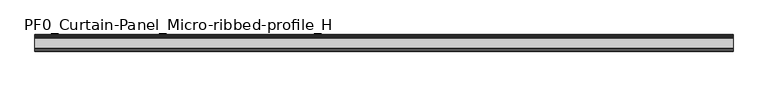
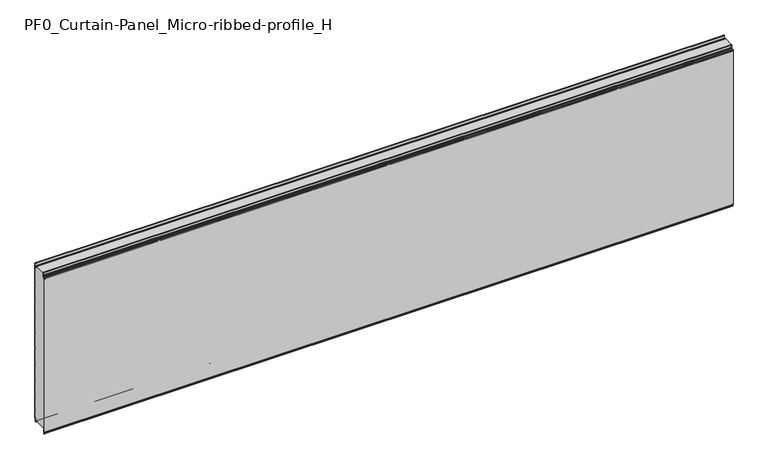
"""IFC4 building model written with IfcOpenShell, lengths in millimetres: plate geometry, PF0_Curtain-Panel_Micro-ribbed-profile_H."""

import ifcopenshell
import ifcopenshell.guid

model = None  # the IFC model being written
_history = None  # IfcOwnerHistory: only IFC2X3 demands one
_inside = {}  # id of a spatial element -> (the spatial element, [elements in it])
_under = {}  # id of a project, library or spatial element -> (it, [spatial elements below it])
_declared = {}  # id of a project -> (the project, [libraries it declares])
_typed = {}  # id of a type object -> (the type object, [elements of that type])
_made_of = {}  # id of a material, layer set ... -> (it, [elements and type objects made of it])


def new_model(schema):
    """Start an empty IFC model of exactly this schema.

    Asked for "IFC4X3", IfcOpenShell would pick the latest addendum, in which some entities
    have other attributes; the version numbers below select the first issue.
    IFC2X3 requires an IfcOwnerHistory on every rooted entity: one is made here for all.
    """
    global model, _history
    if schema == "IFC4X3":
        model = ifcopenshell.file(schema_version=(4, 3, 0, 0))
    else:
        model = ifcopenshell.file(schema=schema)
    _inside.clear()
    _under.clear()
    _declared.clear()
    _typed.clear()
    _made_of.clear()
    _history = None
    if model.schema == "IFC2X3":
        org = make("IfcOrganization", Name="unknown")
        user = make(
            "IfcPersonAndOrganization",
            ThePerson=make("IfcPerson", FamilyName="unknown"),
            TheOrganization=org,
        )
        app = make(
            "IfcApplication",
            ApplicationDeveloper=org,
            Version="unknown",
            ApplicationFullName="unknown",
            ApplicationIdentifier="unknown",
        )
        _history = make(
            "IfcOwnerHistory",
            OwningUser=user,
            OwningApplication=app,
            ChangeAction="ADDED",
            CreationDate=0,
        )
    return model


def make(cls, **values):
    """One entity of the class cls with the attributes given. An attribute that is None is left unset."""
    return model.create_entity(
        cls, **{name: value for name, value in values.items() if value is not None}
    )


def rooted(cls, **values):
    """An entity with a GlobalId (a new one), such as an element, a storey or a relation."""
    return make(cls, GlobalId=ifcopenshell.guid.new(), OwnerHistory=_history, **values)


def si_unit(unit_type, name, prefix=None):
    """IfcSIUnit, for example si_unit("LENGTHUNIT", "METRE", prefix="MILLI")."""
    return make("IfcSIUnit", UnitType=unit_type, Prefix=prefix, Name=name)


def assignment(units):
    """IfcUnitAssignment: the units of a project."""
    return None if units is None else make("IfcUnitAssignment", Units=units)


def point(xyz):
    """IfcCartesianPoint."""
    return None if xyz is None else make("IfcCartesianPoint", Coordinates=xyz)


def direction(xyz):
    """IfcDirection."""
    return None if xyz is None else make("IfcDirection", DirectionRatios=xyz)


def frame(location, z_axis=None, x_axis=None):
    """IfcAxis2Placement3D, a coordinate frame: its origin and axes. An axis left out is left unset."""
    return make(
        "IfcAxis2Placement3D",
        Location=point(location),
        Axis=direction(z_axis),
        RefDirection=direction(x_axis),
    )


def frame_2d(location, x_axis=None):
    """IfcAxis2Placement2D, a coordinate frame in the plane: its origin and x axis."""
    return make(
        "IfcAxis2Placement2D", Location=point(location), RefDirection=direction(x_axis)
    )


def origin():
    """The frame at (0, 0, 0) with its axes left unset."""
    return frame((0.0, 0.0, 0.0))


def place(relative_to, where):
    """IfcLocalPlacement: puts the frame where relative to a parent placement (None: the world)."""
    return make(
        "IfcLocalPlacement", PlacementRelTo=relative_to, RelativePlacement=where
    )


def context(
    kind, dimensions, precision=None, world=None, true_north=None, identifier=None
):
    """IfcGeometricRepresentationContext, for example the 3D "Model" context."""
    return make(
        "IfcGeometricRepresentationContext",
        ContextIdentifier=identifier,
        ContextType=kind,
        CoordinateSpaceDimension=dimensions,
        Precision=precision,
        WorldCoordinateSystem=world,
        TrueNorth=true_north,
    )


def project(units=None, contexts=None):
    """IfcProject with its units and contexts."""
    return rooted(
        "IfcProject",
        Name="project",
        RepresentationContexts=contexts,
        UnitsInContext=assignment(units),
    )


def spatial(cls, under=None, at=None, **own):
    """A site, building, storey or space (cls), placed at a placement, below another one or the project."""
    s = rooted(cls, ObjectPlacement=at, **own)
    if under is not None:
        _under.setdefault(under.id(), (under, []))[1].append(s)
    return s


def polyline(points):
    """IfcPolyline through the points."""
    return make("IfcPolyline", Points=[point(p) for p in points])


def circle_curve(where, radius):
    """IfcCircle in the frame where."""
    return make("IfcCircle", Position=where, Radius=radius)


def trimmed(basis, trim1, trim2, sense, master):
    """IfcTrimmedCurve: the piece of a basis curve between two trims."""
    return make(
        "IfcTrimmedCurve",
        BasisCurve=basis,
        Trim1=trim1,
        Trim2=trim2,
        SenseAgreement=sense,
        MasterRepresentation=master,
    )


def segment(curve, same_sense, transition):
    """IfcCompositeCurveSegment."""
    return make(
        "IfcCompositeCurveSegment",
        Transition=transition,
        SameSense=same_sense,
        ParentCurve=curve,
    )


def composite_curve(segments, self_intersect=None):
    """IfcCompositeCurve: segments joined end to end."""
    return make("IfcCompositeCurve", Segments=segments, SelfIntersect=self_intersect)


def outline(outer, holes=None, kind="AREA"):
    """IfcArbitraryClosedProfileDef: a profile drawn as a closed curve; with holes, ...WithVoids."""
    if holes is None:
        return make("IfcArbitraryClosedProfileDef", ProfileType=kind, OuterCurve=outer)
    return make(
        "IfcArbitraryProfileDefWithVoids",
        ProfileType=kind,
        OuterCurve=outer,
        InnerCurves=holes,
    )


def extrude(swept, where, along, depth):
    """IfcExtrudedAreaSolid: the profile swept, set in the frame where, extruded along a direction by depth."""
    return make(
        "IfcExtrudedAreaSolid",
        SweptArea=swept,
        Position=where,
        ExtrudedDirection=direction(along),
        Depth=depth,
    )


def shape(context_of_items, identifier, shape_type, items):
    """IfcShapeRepresentation: the items that make up one representation, for example the "Body"."""
    return make(
        "IfcShapeRepresentation",
        ContextOfItems=context_of_items,
        RepresentationIdentifier=identifier,
        RepresentationType=shape_type,
        Items=items,
    )


def source(mapping_origin, context_of_items, identifier, shape_type, items):
    """IfcRepresentationMap: a shape defined once, which mapped items show again and again."""
    return make(
        "IfcRepresentationMap",
        MappingOrigin=mapping_origin,
        MappedRepresentation=shape(context_of_items, identifier, shape_type, items),
    )


def transform(
    local_origin,
    x_axis=None,
    y_axis=None,
    z_axis=None,
    scale=None,
    scale2=None,
    scale3=None,
    uniform=True,
):
    """IfcCartesianTransformationOperator3D, or its non-uniform kind. x_axis, y_axis, z_axis: its Axis1, 2, 3."""
    if uniform:
        return make(
            "IfcCartesianTransformationOperator3D",
            Axis1=direction(x_axis),
            Axis2=direction(y_axis),
            LocalOrigin=point(local_origin),
            Scale=scale,
            Axis3=direction(z_axis),
        )
    return make(
        "IfcCartesianTransformationOperator3DnonUniform",
        Axis1=direction(x_axis),
        Axis2=direction(y_axis),
        LocalOrigin=point(local_origin),
        Scale=scale,
        Axis3=direction(z_axis),
        Scale2=scale2,
        Scale3=scale3,
    )


def mapped(mapping_source, mapping_target):
    """IfcMappedItem: shows the shape of a source again, moved by a transform."""
    return make(
        "IfcMappedItem", MappingSource=mapping_source, MappingTarget=mapping_target
    )


def made_of(thing, what):
    """Note that an element or type object is made of a material, layer set ...; save() writes the relation."""
    if what is not None:
        _made_of.setdefault(what.id(), (what, []))[1].append(thing)
    return thing


def element(
    cls,
    number,
    at=None,
    inside=None,
    cuts=None,
    type_object=None,
    material=None,
    context=None,
    identifier="Body",
    shape_type=None,
    held_by="IfcProductDefinitionShape",
    body=None,
    shapes=None,
    **own,
):
    """One element of the class cls, such as IfcWall. Its Tag is "e" and its number.

    at: its placement. inside: the storey or other place that contains it. cuts: it is an
    opening in that element (IfcRelVoidsElement). A single representation is given by context,
    identifier, shape_type and body (its items); several are given by shapes. held_by: the class
    of the entity that holds the representations. save() writes the other relations.
    """
    e = rooted(cls, Tag="e%d" % number, ObjectPlacement=at, **own)
    if body is not None:
        shapes = [shape(context, identifier, shape_type, body)]
    if shapes is not None:
        e.Representation = make(held_by, Representations=shapes)
    if inside is not None:
        _inside.setdefault(inside.id(), (inside, []))[1].append(e)
    if cuts is not None:
        rooted(
            "IfcRelVoidsElement", RelatingBuildingElement=cuts, RelatedOpeningElement=e
        )
    if type_object is not None:
        _typed.setdefault(type_object.id(), (type_object, []))[1].append(e)
    return made_of(e, material)


def aggregate(whole, parts):
    """IfcRelAggregates: a whole, such as a stair, and the parts it consists of."""
    return rooted("IfcRelAggregates", RelatingObject=whole, RelatedObjects=parts)


def save(model, path):
    """Write the relations noted so far, then the file.

    IfcRelAggregates (storeys below a building ...), IfcRelContainedInSpatialStructure (elements
    in a storey), IfcRelDefinesByType, IfcRelAssociatesMaterial and IfcRelDeclares: one each for
    every whole, place, type object, material and project.
    """
    for whole, parts in _under.values():
        aggregate(whole, parts)
    for where, things in _inside.values():
        rooted(
            "IfcRelContainedInSpatialStructure",
            RelatedElements=things,
            RelatingStructure=where,
        )
    for kind, things in _typed.values():
        rooted("IfcRelDefinesByType", RelatedObjects=things, RelatingType=kind)
    for what, things in _made_of.values():
        rooted("IfcRelAssociatesMaterial", RelatedObjects=things, RelatingMaterial=what)
    for by, libraries in _declared.values():
        rooted("IfcRelDeclares", RelatingContext=by, RelatedDefinitions=libraries)
    model.write(path)


def plane_surface(at):
    """IfcPlane: the flat surface through the origin of the frame at, square to its z axis."""
    return make("IfcPlane", Position=at)


def cylinder_surface(at, radius):
    """IfcCylindricalSurface: all points at the distance radius from the z axis of the frame at."""
    return make("IfcCylindricalSurface", Position=at, Radius=radius)


def revolved_surface(curve, axis_point, axis_direction):
    """IfcSurfaceOfRevolution: the curve turned about the line through axis_point along axis_direction."""
    return make(
        "IfcSurfaceOfRevolution",
        SweptCurve=make("IfcArbitraryOpenProfileDef", ProfileType="CURVE", Curve=curve),
        AxisPosition=make("IfcAxis1Placement", Location=point(axis_point), Axis=direction(axis_direction)),
    )


def advanced_brep(points, edges, surfaces, faces):
    """IfcAdvancedBrep: a solid bounded by faces that lie on surfaces and meet in shared edges.

    An edge is (start, end): straight between two places in points (the first is 0);
    or (start, end, curve); or (start, end, curve, False) where it runs against its curve.
    A face is (place in surfaces, loops), or (place, loops, False) where it looks against
    its surface's normal. A loop lists edges by number (the first is 1), with a minus sign
    where the edge is run from its end to its start. The first loop is the outer one.
    """
    corners = [point(p) for p in points]
    vertices = [make("IfcVertexPoint", VertexGeometry=c) for c in corners]
    made = []
    for start, end, *more in edges:
        made.append(
            make(
                "IfcEdgeCurve",
                EdgeStart=vertices[start],
                EdgeEnd=vertices[end],
                EdgeGeometry=more[0] if more else make("IfcPolyline", Points=[corners[start], corners[end]]),
                SameSense=more[1] if len(more) > 1 else True,
            )
        )
    hull = []
    for where, loops, *sense in faces:
        bounds = []
        for j, loop in enumerate(loops):
            ring = [make("IfcOrientedEdge", EdgeElement=made[abs(k) - 1], Orientation=k > 0) for k in loop]
            bounds.append(
                make(
                    "IfcFaceOuterBound" if j == 0 else "IfcFaceBound",
                    Bound=make("IfcEdgeLoop", EdgeList=ring),
                    Orientation=True,
                )
            )
        hull.append(make("IfcAdvancedFace", Bounds=bounds, FaceSurface=surfaces[where], SameSense=sense[0] if sense else True))
    return make("IfcAdvancedBrep", Outer=make("IfcClosedShell", CfsFaces=hull))


def pf0_curtain_panel_micro_ribbed_profile_h_563bb132(model_context):
    return source(origin(), model_context, "Body", "SolidModel", [
        advanced_brep(
        [(-2100.0, -15.878557, 0.0), (-2100.0, -20.0, 0.0), (-2100.0, -20.0, 0.8), (-2100.0, -15.878557, 0.8), (-2100.0, -13.1503208, -1.370137), (-2100.0, -11.728236, -7.529863), (-2100.0, -6.2, -6.9), (-2100.0, -6.2, 8.6), (-2100.0, -3.4, 11.4), (-2100.0, -2.0, 11.4), (-2100.0, -0.8, 12.6), (-2100.0, -0.8, 57.6856412), (-2100.0, -2.482606, 60.6), (-2100.0, -0.8, 63.5143588), (-2100.0, -0.8, 157.6856412), (-2100.0, -2.482606, 160.6), (-2100.0, -0.8, 163.5143588), (-2100.0, -0.8, 257.6856412), (-2100.0, -2.482606, 260.6), (-2100.0, -0.8, 263.5143588), (-2100.0, -0.8, 357.6856412), (-2100.0, -2.482606, 360.6), (-2100.0, -0.8, 363.5143588), (-2100.0, -0.8, 457.6856412), (-2100.0, -2.482606, 460.6), (-2100.0, -0.8, 463.5143588), (-2100.0, -0.8, 557.6856412), (-2100.0, -2.482606, 560.6), (-2100.0, -0.8, 563.5143588), (-2100.0, -0.8, 657.6856412), (-2100.0, -2.482606, 660.6), (-2100.0, -0.8, 663.5143588), (-2100.0, -0.8, 757.6856412), (-2100.0, -2.482606, 760.6), (-2100.0, -0.8, 763.5143588), (-2100.0, -0.8, 857.6856412), (-2100.0, -2.482606, 860.6), (-2100.0, -0.8, 863.5143588), (-2100.0, -0.8, 957.6856412), (-2100.0, -2.482606, 960.6), (-2100.0, -0.8, 963.5143588), (-2100.0, -0.8, 1008.1), (-2100.0, -4.2, 1008.1), (-2100.0, -4.2, 991.1), (-2100.0, -13.7270771, 990.2664884), (-2100.0, -14.8636953, 996.7125669), (-2100.0, -16.6363492, 998.2), (-2100.0, -20.0, 998.2), (-2100.0, -20.0, 999.0), (-2100.0, -16.6363492, 999.0), (-2100.0, -14.0758491, 996.8514855), (-2100.0, -12.939231, 990.405407), (-2100.0, -5.0, 991.1), (-2100.0, -5.0, 1008.1), (-2100.0, -2.5, 1010.6), (-2100.0, 0.0, 1008.1), (-2100.0, 0.0, 963.2999995), (-2100.0, -1.5588455, 960.6), (-2100.0, 0.0, 957.9000005), (-2100.0, 0.0, 863.2999995), (-2100.0, -1.5588455, 860.6), (-2100.0, 0.0, 857.9000005), (-2100.0, 0.0, 763.2999995), (-2100.0, -1.5588455, 760.6), (-2100.0, 0.0, 757.9000005), (-2100.0, 0.0, 663.2999995), (-2100.0, -1.5588455, 660.6), (-2100.0, 0.0, 657.9000005), (-2100.0, 0.0, 563.2999995), (-2100.0, -1.5588455, 560.6), (-2100.0, 0.0, 557.9000005), (-2100.0, 0.0, 463.2999995), (-2100.0, -1.5588455, 460.6), (-2100.0, 0.0, 457.9000005), (-2100.0, 0.0, 363.2999995), (-2100.0, -1.5588455, 360.6), (-2100.0, 0.0, 357.9000005), (-2100.0, 0.0, 263.2999995), (-2100.0, -1.5588455, 260.6), (-2100.0, 0.0, 257.9000005), (-2100.0, 0.0, 163.2999995), (-2100.0, -1.5588455, 160.6), (-2100.0, 0.0, 157.9000005), (-2100.0, 0.0, 63.2999995), (-2100.0, -1.5588455, 60.6), (-2100.0, 0.0, 57.9000005), (-2100.0, 0.0, 12.6), (-2100.0, -2.0, 10.6), (-2100.0, -3.4, 10.6), (-2100.0, -5.4, 8.6), (-2100.0, -5.4, -6.9), (-2100.0, -12.5077322, -7.7098239), (-2100.0, -13.929817, -1.5500979), (2100.0, -15.878557, 0.0), (2100.0, -13.9298169, -1.5500978), (2100.0, -12.507732, -7.7098239), (2100.0, -5.4, -6.9), (2100.0, -5.4, 8.6), (2100.0, -3.4, 10.6), (2100.0, -2.0, 10.6), (2100.0, 0.0, 12.6), (2100.0, 0.0, 57.9000005), (2100.0, -1.5588455, 60.6), (2100.0, 0.0, 63.2999995), (2100.0, 0.0, 157.9000005), (2100.0, -1.5588455, 160.6), (2100.0, 0.0, 163.2999995), (2100.0, 0.0, 257.9000005), (2100.0, -1.5588455, 260.6), (2100.0, 0.0, 263.2999995), (2100.0, 0.0, 357.9000005), (2100.0, -1.5588455, 360.6), (2100.0, 0.0, 363.2999995), (2100.0, 0.0, 457.9000005), (2100.0, -1.5588455, 460.6), (2100.0, 0.0, 463.2999995), (2100.0, 0.0, 557.9000005), (2100.0, -1.5588455, 560.6), (2100.0, 0.0, 563.2999995), (2100.0, 0.0, 657.9000005), (2100.0, -1.5588455, 660.6), (2100.0, 0.0, 663.2999995), (2100.0, 0.0, 757.9000005), (2100.0, -1.5588455, 760.6), (2100.0, 0.0, 763.2999995), (2100.0, 0.0, 857.9000005), (2100.0, -1.5588455, 860.6), (2100.0, 0.0, 863.2999995), (2100.0, 0.0, 957.9000005), (2100.0, -1.5588455, 960.6), (2100.0, 0.0, 963.2999995), (2100.0, 0.0, 1008.1), (2100.0, -2.5, 1010.6), (2100.0, -5.0, 1008.1), (2100.0, -5.0, 991.1), (2100.0, -12.939231, 990.405407), (2100.0, -14.0758491, 996.8514855), (2100.0, -16.6363492, 999.0), (2100.0, -20.0, 999.0), (2100.0, -20.0, 998.2), (2100.0, -16.6363492, 998.2), (2100.0, -14.8636953, 996.7125669), (2100.0, -13.7270772, 990.2664884), (2100.0, -4.2, 991.1), (2100.0, -4.2, 1008.1), (2100.0, -0.8, 1008.1), (2100.0, -0.8, 963.5143588), (2100.0, -2.482606, 960.6), (2100.0, -0.8, 957.6856412), (2100.0, -0.8, 863.5143588), (2100.0, -2.482606, 860.6), (2100.0, -0.8, 857.6856412), (2100.0, -0.8, 763.5143588), (2100.0, -2.482606, 760.6), (2100.0, -0.8, 757.6856412), (2100.0, -0.8, 663.5143588), (2100.0, -2.482606, 660.6), (2100.0, -0.8, 657.6856412), (2100.0, -0.8, 563.5143588), (2100.0, -2.482606, 560.6), (2100.0, -0.8, 557.6856412), (2100.0, -0.8, 463.5143588), (2100.0, -2.482606, 460.6), (2100.0, -0.8, 457.6856412), (2100.0, -0.8, 363.5143588), (2100.0, -2.482606, 360.6), (2100.0, -0.8, 357.6856412), (2100.0, -0.8, 263.5143588), (2100.0, -2.482606, 260.6), (2100.0, -0.8, 257.6856412), (2100.0, -0.8, 163.5143588), (2100.0, -2.482606, 160.6), (2100.0, -0.8, 157.6856412), (2100.0, -0.8, 63.5143588), (2100.0, -2.482606, 60.6), (2100.0, -0.8, 57.6856412), (2100.0, -0.8, 12.6), (2100.0, -2.0, 11.4), (2100.0, -3.4, 11.4), (2100.0, -6.2, 8.6), (2100.0, -6.2, -6.9), (2100.0, -11.7282362, -7.529863), (2100.0, -13.150321, -1.370137), (2100.0, -15.878557, 0.8), (2100.0, -20.0, 0.8), (2100.0, -20.0, 0.0)],
        [
            (0, 1),
            (1, 2),
            (2, 3),
            (3, 4, circle_curve(frame((-2100.0, -15.878557, -2.0), z_axis=(-1.0, 0.0, 0.0), x_axis=(0.0, 0.0, 1.0)), 2.8)),
            (4, 5),
            (5, 6, circle_curve(frame((-2100.0, -9.0, -6.9), z_axis=(1.0, 0.0, 0.0), x_axis=(0.0, 0.0, 1.0)), 2.8)),
            (6, 7),
            (7, 8, circle_curve(frame((-2100.0, -3.4, 8.6), z_axis=(-1.0, 0.0, 0.0), x_axis=(0.0, 0.0, 1.0)), 2.8)),
            (8, 9),
            (9, 10, circle_curve(frame((-2100.0, -2.0, 12.6), z_axis=(1.0, 0.0, 0.0), x_axis=(0.0, 0.0, 1.0)), 1.2)),
            (10, 11),
            (11, 12),
            (12, 13),
            (13, 14),
            (14, 15),
            (15, 16),
            (16, 17),
            (17, 18),
            (18, 19),
            (19, 20),
            (20, 21),
            (21, 22),
            (22, 23),
            (23, 24),
            (24, 25),
            (25, 26),
            (26, 27),
            (27, 28),
            (28, 29),
            (29, 30),
            (30, 31),
            (31, 32),
            (32, 33),
            (33, 34),
            (34, 35),
            (35, 36),
            (36, 37),
            (37, 38),
            (38, 39),
            (39, 40),
            (40, 41),
            (41, 42, circle_curve(frame((-2100.0, -2.5, 1008.1), z_axis=(1.0, 0.0, 0.0), x_axis=(0.0, 0.0, 1.0)), 1.7)),
            (42, 43),
            (43, 44, circle_curve(frame((-2100.0, -9.0, 991.1), z_axis=(-1.0, 0.0, 0.0), x_axis=(0.0, 0.0, 1.0)), 4.8)),
            (44, 45),
            (45, 46, circle_curve(frame((-2100.0, -16.6363492, 996.4), z_axis=(1.0, 0.0, 0.0), x_axis=(0.0, 0.0, 1.0)), 1.8)),
            (46, 47),
            (47, 48),
            (48, 49),
            (49, 50, circle_curve(frame((-2100.0, -16.6363492, 996.4), z_axis=(-1.0, 0.0, 0.0), x_axis=(0.0, 0.0, 1.0)), 2.6)),
            (50, 51),
            (51, 52, circle_curve(frame((-2100.0, -9.0, 991.1), z_axis=(1.0, 0.0, 0.0), x_axis=(0.0, 0.0, 1.0)), 4.0)),
            (52, 53),
            (53, 54, circle_curve(frame((-2100.0, -2.5, 1008.1), z_axis=(-1.0, 0.0, 0.0), x_axis=(0.0, 0.0, 1.0)), 2.5)),
            (54, 55, circle_curve(frame((-2100.0, -2.5, 1008.1), z_axis=(-1.0, 0.0, 0.0), x_axis=(0.0, 0.0, 1.0)), 2.5)),
            (55, 56),
            (56, 57),
            (57, 58),
            (58, 59),
            (59, 60),
            (60, 61),
            (61, 62),
            (62, 63),
            (63, 64),
            (64, 65),
            (65, 66),
            (66, 67),
            (67, 68),
            (68, 69),
            (69, 70),
            (70, 71),
            (71, 72),
            (72, 73),
            (73, 74),
            (74, 75),
            (75, 76),
            (76, 77),
            (77, 78),
            (78, 79),
            (79, 80),
            (80, 81),
            (81, 82),
            (82, 83),
            (83, 84),
            (84, 85),
            (85, 86),
            (86, 87, circle_curve(frame((-2100.0, -2.0, 12.6), z_axis=(-1.0, 0.0, 0.0), x_axis=(0.0, 0.0, 1.0)), 2.0)),
            (87, 88),
            (88, 89, circle_curve(frame((-2100.0, -3.4, 8.6), z_axis=(1.0, 0.0, 0.0), x_axis=(0.0, 0.0, 1.0)), 2.0)),
            (89, 90),
            (90, 91, circle_curve(frame((-2100.0, -9.0, -6.9), z_axis=(-1.0, 0.0, 0.0), x_axis=(0.0, 0.0, 1.0)), 3.6)),
            (91, 92),
            (92, 0, circle_curve(frame((-2100.0, -15.878557, -2.0), z_axis=(1.0, 0.0, 0.0), x_axis=(0.0, 0.0, 1.0)), 2.0)),
            (93, 94, circle_curve(frame((2100.0, -15.878557, -2.0), z_axis=(-1.0, 0.0, 0.0), x_axis=(0.0, 0.0, 1.0)), 2.0)),
            (94, 95),
            (95, 96, circle_curve(frame((2100.0, -9.0, -6.9), z_axis=(1.0, 0.0, 0.0), x_axis=(0.0, 0.0, 1.0)), 3.6)),
            (96, 97),
            (97, 98, circle_curve(frame((2100.0, -3.4, 8.6), z_axis=(-1.0, 0.0, 0.0), x_axis=(0.0, 0.0, 1.0)), 2.0)),
            (98, 99),
            (99, 100, circle_curve(frame((2100.0, -2.0, 12.6), z_axis=(1.0, 0.0, 0.0), x_axis=(0.0, 0.0, 1.0)), 2.0)),
            (100, 101),
            (101, 102),
            (102, 103),
            (103, 104),
            (104, 105),
            (105, 106),
            (106, 107),
            (107, 108),
            (108, 109),
            (109, 110),
            (110, 111),
            (111, 112),
            (112, 113),
            (113, 114),
            (114, 115),
            (115, 116),
            (116, 117),
            (117, 118),
            (118, 119),
            (119, 120),
            (120, 121),
            (121, 122),
            (122, 123),
            (123, 124),
            (124, 125),
            (125, 126),
            (126, 127),
            (127, 128),
            (128, 129),
            (129, 130),
            (130, 131),
            (131, 132, circle_curve(frame((2100.0, -2.5, 1008.1), z_axis=(1.0, 0.0, 0.0), x_axis=(0.0, 0.0, 1.0)), 2.5)),
            (132, 133, circle_curve(frame((2100.0, -2.5, 1008.1), z_axis=(1.0, 0.0, 0.0), x_axis=(0.0, 0.0, 1.0)), 2.5)),
            (133, 134),
            (134, 135, circle_curve(frame((2100.0, -9.0, 991.1), z_axis=(-1.0, 0.0, 0.0), x_axis=(0.0, 0.0, 1.0)), 4.0)),
            (135, 136),
            (136, 137, circle_curve(frame((2100.0, -16.6363492, 996.4), z_axis=(1.0, 0.0, 0.0), x_axis=(0.0, 0.0, 1.0)), 2.6)),
            (137, 138),
            (138, 139),
            (139, 140),
            (140, 141, circle_curve(frame((2100.0, -16.6363492, 996.4), z_axis=(-1.0, 0.0, 0.0), x_axis=(0.0, 0.0, 1.0)), 1.8)),
            (141, 142),
            (142, 143, circle_curve(frame((2100.0, -9.0, 991.1), z_axis=(1.0, 0.0, 0.0), x_axis=(0.0, 0.0, 1.0)), 4.8)),
            (143, 144),
            (144, 145, circle_curve(frame((2100.0, -2.5, 1008.1), z_axis=(-1.0, 0.0, 0.0), x_axis=(0.0, 0.0, 1.0)), 1.7)),
            (145, 146),
            (146, 147),
            (147, 148),
            (148, 149),
            (149, 150),
            (150, 151),
            (151, 152),
            (152, 153),
            (153, 154),
            (154, 155),
            (155, 156),
            (156, 157),
            (157, 158),
            (158, 159),
            (159, 160),
            (160, 161),
            (161, 162),
            (162, 163),
            (163, 164),
            (164, 165),
            (165, 166),
            (166, 167),
            (167, 168),
            (168, 169),
            (169, 170),
            (170, 171),
            (171, 172),
            (172, 173),
            (173, 174),
            (174, 175),
            (175, 176),
            (176, 177, circle_curve(frame((2100.0, -2.0, 12.6), z_axis=(-1.0, 0.0, 0.0), x_axis=(0.0, 0.0, 1.0)), 1.2)),
            (177, 178),
            (178, 179, circle_curve(frame((2100.0, -3.4, 8.6), z_axis=(1.0, 0.0, 0.0), x_axis=(0.0, 0.0, 1.0)), 2.8)),
            (179, 180),
            (180, 181, circle_curve(frame((2100.0, -9.0, -6.9), z_axis=(-1.0, 0.0, 0.0), x_axis=(0.0, 0.0, 1.0)), 2.8)),
            (181, 182),
            (182, 183, circle_curve(frame((2100.0, -15.878557, -2.0), z_axis=(1.0, 0.0, 0.0), x_axis=(0.0, 0.0, 1.0)), 2.8)),
            (183, 184),
            (184, 185),
            (185, 93),
            (0, 93),
            (185, 1),
            (184, 2),
            (183, 3),
            (182, 4),
            (181, 5),
            (180, 6),
            (179, 7),
            (178, 8),
            (177, 9),
            (176, 10),
            (175, 11),
            (174, 12),
            (173, 13),
            (172, 14),
            (171, 15),
            (170, 16),
            (169, 17),
            (168, 18),
            (167, 19),
            (166, 20),
            (165, 21),
            (164, 22),
            (163, 23),
            (162, 24),
            (161, 25),
            (160, 26),
            (159, 27),
            (158, 28),
            (157, 29),
            (156, 30),
            (155, 31),
            (154, 32),
            (153, 33),
            (152, 34),
            (151, 35),
            (150, 36),
            (149, 37),
            (148, 38),
            (147, 39),
            (146, 40),
            (145, 41),
            (144, 42),
            (143, 43),
            (142, 44),
            (141, 45),
            (140, 46),
            (139, 47),
            (138, 48),
            (137, 49),
            (136, 50),
            (135, 51),
            (134, 52),
            (133, 53),
            (131, 55),
            (130, 56),
            (129, 57),
            (128, 58),
            (127, 59),
            (126, 60),
            (125, 61),
            (124, 62),
            (123, 63),
            (122, 64),
            (121, 65),
            (120, 66),
            (119, 67),
            (118, 68),
            (117, 69),
            (116, 70),
            (115, 71),
            (114, 72),
            (113, 73),
            (112, 74),
            (111, 75),
            (110, 76),
            (109, 77),
            (108, 78),
            (107, 79),
            (106, 80),
            (105, 81),
            (104, 82),
            (103, 83),
            (102, 84),
            (101, 85),
            (100, 86),
            (99, 87),
            (98, 88),
            (97, 89),
            (96, 90),
            (95, 91),
            (94, 92),
        ],
        [
            plane_surface(frame((-2100.0, 0.0, 0.0), z_axis=(-1.0, 0.0, 0.0), x_axis=(0.0, 1.0, 0.0))),
            plane_surface(frame((2100.0, 0.0, 0.0), z_axis=(1.0, 0.0, 0.0), x_axis=(0.0, 1.0, 0.0))),
            plane_surface(frame((-2100.0, -15.878557, 0.0), z_axis=(0.0, 0.0, -1.0), x_axis=(1.0, 0.0, 0.0))),
            plane_surface(frame((-2100.0, -20.0, 0.0), z_axis=(0.0, -1.0, 0.0), x_axis=(1.0, 0.0, 0.0))),
            plane_surface(frame((-2100.0, -20.0, 0.8), z_axis=(0.0, 0.0, 1.0), x_axis=(1.0, 0.0, 0.0))),
            cylinder_surface(frame((-2100.0, -15.878557, -2.0), z_axis=(-1.0, 0.0, 0.0), x_axis=(0.0, 0.0, 1.0)), 2.8),
            plane_surface(frame((-2100.0, -13.150321, -1.370137), z_axis=(0.0, 0.9743700578318181, 0.22495108446242168), x_axis=(1.0, 0.0, 0.0))),
            revolved_surface(polyline([(2100.0, -9.0, -4.1000000000000005), (-2100.0, -9.0, -4.1000000000000005)]), (-2100.0, -9.0, -6.9), (1.0, 0.0, 0.0)),
            plane_surface(frame((-2100.0, -6.2, -6.9), z_axis=(0.0, -1.0, 0.0), x_axis=(1.0, 0.0, 0.0))),
            cylinder_surface(frame((-2100.0, -3.4, 8.6), z_axis=(-1.0, 0.0, 0.0), x_axis=(0.0, 0.0, 1.0)), 2.8),
            plane_surface(frame((-2100.0, -3.4, 11.4), z_axis=(0.0, 0.0, 1.0), x_axis=(1.0, 0.0, 0.0))),
            revolved_surface(polyline([(2100.0, -2.0, 13.799999999999999), (-2100.0, -2.0, 13.799999999999999)]), (-2100.0, -2.0, 12.6), (1.0, 0.0, 0.0)),
            plane_surface(frame((-2100.0, -0.8, 12.6), z_axis=(0.0, -1.0, 0.0), x_axis=(1.0, 0.0, 0.0))),
            plane_surface(frame((-2100.0, -0.8, 57.6856412), z_axis=(0.0, -0.8660253865035757, -0.5000000299313314), x_axis=(1.0, 0.0, 0.0))),
            plane_surface(frame((-2100.0, -2.482606, 60.6), z_axis=(0.0, -0.8660253865035789, 0.5000000299313261), x_axis=(1.0, 0.0, 0.0))),
            plane_surface(frame((-2100.0, -0.8, 63.5143588), z_axis=(0.0, -1.0, 0.0), x_axis=(1.0, 0.0, 0.0))),
            plane_surface(frame((-2100.0, -0.8, 157.6856412), z_axis=(0.0, -0.8660253865035755, -0.5000000299313319), x_axis=(1.0, 0.0, 0.0))),
            plane_surface(frame((-2100.0, -2.482606, 160.6), z_axis=(0.0, -0.8660253865035777, 0.5000000299313279), x_axis=(1.0, 0.0, 0.0))),
            plane_surface(frame((-2100.0, -0.8, 163.5143588), z_axis=(0.0, -1.0, 0.0), x_axis=(1.0, 0.0, 0.0))),
            plane_surface(frame((-2100.0, -0.8, 257.6856412), z_axis=(0.0, -0.8660253865035755, -0.5000000299313319), x_axis=(1.0, 0.0, 0.0))),
            plane_surface(frame((-2100.0, -2.482606, 260.6), z_axis=(0.0, -0.8660253865035777, 0.5000000299313279), x_axis=(1.0, 0.0, 0.0))),
            plane_surface(frame((-2100.0, -0.8, 263.5143588), z_axis=(0.0, -1.0, 0.0), x_axis=(1.0, 0.0, 0.0))),
            plane_surface(frame((-2100.0, -0.8, 357.6856412), z_axis=(0.0, -0.8660253865035754, -0.500000029931332), x_axis=(1.0, 0.0, 0.0))),
            plane_surface(frame((-2100.0, -2.482606, 360.6), z_axis=(0.0, -0.8660253865035789, 0.5000000299313261), x_axis=(1.0, 0.0, 0.0))),
            plane_surface(frame((-2100.0, -0.8, 363.5143588), z_axis=(0.0, -1.0, 0.0), x_axis=(1.0, 0.0, 0.0))),
            plane_surface(frame((-2100.0, -0.8, 457.6856412), z_axis=(0.0, -0.8660253865035755, -0.5000000299313319), x_axis=(1.0, 0.0, 0.0))),
            plane_surface(frame((-2100.0, -2.482606, 460.6), z_axis=(0.0, -0.8660253865035785, 0.5000000299313266), x_axis=(1.0, 0.0, 0.0))),
            plane_surface(frame((-2100.0, -0.8, 463.5143588), z_axis=(0.0, -1.0, 0.0), x_axis=(1.0, 0.0, 0.0))),
            plane_surface(frame((-2100.0, -0.8, 557.6856412), z_axis=(0.0, -0.8660253865035755, -0.500000029931332), x_axis=(1.0, 0.0, 0.0))),
            plane_surface(frame((-2100.0, -2.482606, 560.6), z_axis=(0.0, -0.8660253865035789, 0.500000029931326), x_axis=(1.0, 0.0, 0.0))),
            plane_surface(frame((-2100.0, -0.8, 563.5143588), z_axis=(0.0, -1.0, 0.0), x_axis=(1.0, 0.0, 0.0))),
            plane_surface(frame((-2100.0, -0.8, 657.6856412), z_axis=(0.0, -0.8660253865035755, -0.5000000299313317), x_axis=(1.0, 0.0, 0.0))),
            plane_surface(frame((-2100.0, -2.482606, 660.6), z_axis=(0.0, -0.8660253865035772, 0.5000000299313291), x_axis=(1.0, 0.0, 0.0))),
            plane_surface(frame((-2100.0, -0.8, 663.5143588), z_axis=(0.0, -1.0, 0.0), x_axis=(1.0, 0.0, 0.0))),
            plane_surface(frame((-2100.0, -0.8, 757.6856412), z_axis=(0.0, -0.8660253865035755, -0.5000000299313319), x_axis=(1.0, 0.0, 0.0))),
            plane_surface(frame((-2100.0, -2.482606, 760.6), z_axis=(0.0, -0.8660253865035771, 0.5000000299313291), x_axis=(1.0, 0.0, 0.0))),
            plane_surface(frame((-2100.0, -0.8, 763.5143588), z_axis=(0.0, -1.0, 0.0), x_axis=(1.0, 0.0, 0.0))),
            plane_surface(frame((-2100.0, -0.8, 857.6856412), z_axis=(0.0, -0.8660253865035755, -0.5000000299313319), x_axis=(1.0, 0.0, 0.0))),
            plane_surface(frame((-2100.0, -2.482606, 860.6), z_axis=(0.0, -0.8660253865035775, 0.5000000299313283), x_axis=(1.0, 0.0, 0.0))),
            plane_surface(frame((-2100.0, -0.8, 863.5143588), z_axis=(0.0, -1.0, 0.0), x_axis=(1.0, 0.0, 0.0))),
            plane_surface(frame((-2100.0, -0.8, 957.6856412), z_axis=(0.0, -0.8660253865035755, -0.500000029931332), x_axis=(1.0, 0.0, 0.0))),
            plane_surface(frame((-2100.0, -2.482606, 960.6), z_axis=(0.0, -0.8660253865035771, 0.5000000299313291), x_axis=(1.0, 0.0, 0.0))),
            plane_surface(frame((-2100.0, -0.8, 963.5143588), z_axis=(0.0, -1.0, 0.0), x_axis=(1.0, 0.0, 0.0))),
            revolved_surface(polyline([(2100.0, -2.5, 1009.8000000000001), (-2100.0, -2.5, 1009.8000000000001)]), (-2100.0, -2.5, 1008.1), (1.0, 0.0, 0.0)),
            plane_surface(frame((-2100.0, -4.2, 1008.1), z_axis=(0.0, 1.0, 0.0), x_axis=(1.0, 0.0, 0.0))),
            cylinder_surface(frame((-2100.0, -9.0, 991.1), z_axis=(-1.0, 0.0, 0.0), x_axis=(0.0, 0.0, 1.0)), 4.8),
            plane_surface(frame((-2100.0, -13.7270772, 990.2664884), z_axis=(0.0, -0.9848077391954005, -0.17364825602592165), x_axis=(1.0, 0.0, 0.0))),
            revolved_surface(polyline([(2100.0, -16.6363492, 998.1999999999999), (-2100.0, -16.6363492, 998.1999999999999)]), (-2100.0, -16.6363492, 996.4), (1.0, 0.0, 0.0)),
            plane_surface(frame((-2100.0, -16.6363492, 998.2), z_axis=(0.0, 0.0, -1.0), x_axis=(1.0, 0.0, 0.0))),
            plane_surface(frame((-2100.0, -20.0, 998.2), z_axis=(0.0, -1.0, 0.0), x_axis=(1.0, 0.0, 0.0))),
            plane_surface(frame((-2100.0, -20.0, 999.0), z_axis=(0.0, 0.0, 1.0), x_axis=(1.0, 0.0, 0.0))),
            cylinder_surface(frame((-2100.0, -16.6363492, 996.4), z_axis=(-1.0, 0.0, 0.0), x_axis=(0.0, 0.0, 1.0)), 2.6),
            plane_surface(frame((-2100.0, -14.0758491, 996.8514855), z_axis=(0.0, 0.9848077391954003, 0.1736482560259224), x_axis=(1.0, 0.0, 0.0))),
            revolved_surface(polyline([(2100.0, -9.0, 995.1), (-2100.0, -9.0, 995.1)]), (-2100.0, -9.0, 991.1), (1.0, 0.0, 0.0)),
            plane_surface(frame((-2100.0, -5.0, 991.1), z_axis=(0.0, -1.0, 0.0), x_axis=(1.0, 0.0, 0.0))),
            cylinder_surface(frame((-2100.0, -2.5, 1008.1), z_axis=(-1.0, 0.0, 0.0), x_axis=(0.0, 0.0, 1.0)), 2.5),
            plane_surface(frame((-2100.0, 0.0, 1008.1), z_axis=(0.0, 1.0, 0.0), x_axis=(1.0, 0.0, 0.0))),
            plane_surface(frame((-2100.0, 0.0, 963.2999995), z_axis=(0.0, 0.8660253865035786, -0.5000000299313263), x_axis=(1.0, 0.0, 0.0))),
            plane_surface(frame((-2100.0, -1.5588455, 960.6), z_axis=(0.0, 0.8660253865035755, 0.5000000299313319), x_axis=(1.0, 0.0, 0.0))),
            plane_surface(frame((-2100.0, 0.0, 957.9000005), z_axis=(0.0, 1.0, 0.0), x_axis=(1.0, 0.0, 0.0))),
            plane_surface(frame((-2100.0, 0.0, 863.2999995), z_axis=(0.0, 0.8660253865035786, -0.5000000299313263), x_axis=(1.0, 0.0, 0.0))),
            plane_surface(frame((-2100.0, -1.5588455, 860.6), z_axis=(0.0, 0.8660253865035755, 0.5000000299313319), x_axis=(1.0, 0.0, 0.0))),
            plane_surface(frame((-2100.0, 0.0, 857.9000005), z_axis=(0.0, 1.0, 0.0), x_axis=(1.0, 0.0, 0.0))),
            plane_surface(frame((-2100.0, 0.0, 763.2999995), z_axis=(0.0, 0.8660253865035786, -0.5000000299313263), x_axis=(1.0, 0.0, 0.0))),
            plane_surface(frame((-2100.0, -1.5588455, 760.6), z_axis=(0.0, 0.8660253865035755, 0.5000000299313319), x_axis=(1.0, 0.0, 0.0))),
            plane_surface(frame((-2100.0, 0.0, 757.9000005), z_axis=(0.0, 1.0, 0.0), x_axis=(1.0, 0.0, 0.0))),
            plane_surface(frame((-2100.0, 0.0, 663.2999995), z_axis=(0.0, 0.8660253865035786, -0.5000000299313263), x_axis=(1.0, 0.0, 0.0))),
            plane_surface(frame((-2100.0, -1.5588455, 660.6), z_axis=(0.0, 0.8660253865035755, 0.5000000299313319), x_axis=(1.0, 0.0, 0.0))),
            plane_surface(frame((-2100.0, 0.0, 657.9000005), z_axis=(0.0, 1.0, 0.0), x_axis=(1.0, 0.0, 0.0))),
            plane_surface(frame((-2100.0, 0.0, 563.2999995), z_axis=(0.0, 0.8660253865035786, -0.5000000299313263), x_axis=(1.0, 0.0, 0.0))),
            plane_surface(frame((-2100.0, -1.5588455, 560.6), z_axis=(0.0, 0.8660253865035755, 0.5000000299313319), x_axis=(1.0, 0.0, 0.0))),
            plane_surface(frame((-2100.0, 0.0, 557.9000005), z_axis=(0.0, 1.0, 0.0), x_axis=(1.0, 0.0, 0.0))),
            plane_surface(frame((-2100.0, 0.0, 463.2999995), z_axis=(0.0, 0.8660253865035786, -0.5000000299313263), x_axis=(1.0, 0.0, 0.0))),
            plane_surface(frame((-2100.0, -1.5588455, 460.6), z_axis=(0.0, 0.8660253865035755, 0.5000000299313319), x_axis=(1.0, 0.0, 0.0))),
            plane_surface(frame((-2100.0, 0.0, 457.9000005), z_axis=(0.0, 1.0, 0.0), x_axis=(1.0, 0.0, 0.0))),
            plane_surface(frame((-2100.0, 0.0, 363.2999995), z_axis=(0.0, 0.8660253865035786, -0.5000000299313263), x_axis=(1.0, 0.0, 0.0))),
            plane_surface(frame((-2100.0, -1.5588455, 360.6), z_axis=(0.0, 0.8660253865035755, 0.5000000299313319), x_axis=(1.0, 0.0, 0.0))),
            plane_surface(frame((-2100.0, 0.0, 357.9000005), z_axis=(0.0, 1.0, 0.0), x_axis=(1.0, 0.0, 0.0))),
            plane_surface(frame((-2100.0, 0.0, 263.2999995), z_axis=(0.0, 0.8660253865035786, -0.5000000299313263), x_axis=(1.0, 0.0, 0.0))),
            plane_surface(frame((-2100.0, -1.5588455, 260.6), z_axis=(0.0, 0.8660253865035755, 0.5000000299313319), x_axis=(1.0, 0.0, 0.0))),
            plane_surface(frame((-2100.0, 0.0, 257.9000005), z_axis=(0.0, 1.0, 0.0), x_axis=(1.0, 0.0, 0.0))),
            plane_surface(frame((-2100.0, 0.0, 163.2999995), z_axis=(0.0, 0.8660253865035786, -0.5000000299313263), x_axis=(1.0, 0.0, 0.0))),
            plane_surface(frame((-2100.0, -1.5588455, 160.6), z_axis=(0.0, 0.8660253865035755, 0.5000000299313319), x_axis=(1.0, 0.0, 0.0))),
            plane_surface(frame((-2100.0, 0.0, 157.9000005), z_axis=(0.0, 1.0, 0.0), x_axis=(1.0, 0.0, 0.0))),
            plane_surface(frame((-2100.0, 0.0, 63.2999995), z_axis=(0.0, 0.8660253865035786, -0.5000000299313263), x_axis=(1.0, 0.0, 0.0))),
            plane_surface(frame((-2100.0, -1.5588455, 60.6), z_axis=(0.0, 0.8660253865035755, 0.5000000299313319), x_axis=(1.0, 0.0, 0.0))),
            plane_surface(frame((-2100.0, 0.0, 57.9000005), z_axis=(0.0, 1.0, 0.0), x_axis=(1.0, 0.0, 0.0))),
            cylinder_surface(frame((-2100.0, -2.0, 12.6), z_axis=(-1.0, 0.0, 0.0), x_axis=(0.0, 0.0, 1.0)), 2.0),
            plane_surface(frame((-2100.0, -2.0, 10.6), z_axis=(0.0, 0.0, -1.0), x_axis=(1.0, 0.0, 0.0))),
            revolved_surface(polyline([(2100.0, -3.4, 10.6), (-2100.0, -3.4, 10.6)]), (-2100.0, -3.4, 8.6), (1.0, 0.0, 0.0)),
            plane_surface(frame((-2100.0, -5.4, 8.6), z_axis=(0.0, 1.0, 0.0), x_axis=(1.0, 0.0, 0.0))),
            cylinder_surface(frame((-2100.0, -9.0, -6.9), z_axis=(-1.0, 0.0, 0.0), x_axis=(0.0, 0.0, 1.0)), 3.6),
            plane_surface(frame((-2100.0, -12.507732, -7.7098239), z_axis=(0.0, -0.9743700578318182, -0.22495108446242174), x_axis=(1.0, 0.0, 0.0))),
            revolved_surface(polyline([(2100.0, -15.878557, 0.0), (-2100.0, -15.878557, 0.0)]), (-2100.0, -15.878557, -2.0), (1.0, 0.0, 0.0)),
        ],
        [
            (0, [[1, 2, 3, 4, 5, 6, 7, 8, 9, 10, 11, 12, 13, 14, 15, 16, 17, 18, 19, 20, 21, 22, 23, 24, 25, 26, 27, 28, 29, 30, 31, 32, 33, 34, 35, 36, 37, 38, 39, 40, 41, 42, 43, 44, 45, 46, 47, 48, 49, 50, 51, 52, 53, 54, 55, 56, 57, 58, 59, 60, 61, 62, 63, 64, 65, 66, 67, 68, 69, 70, 71, 72, 73, 74, 75, 76, 77, 78, 79, 80, 81, 82, 83, 84, 85, 86, 87, 88, 89, 90, 91, 92, 93]]),
            (1, [[94, 95, 96, 97, 98, 99, 100, 101, 102, 103, 104, 105, 106, 107, 108, 109, 110, 111, 112, 113, 114, 115, 116, 117, 118, 119, 120, 121, 122, 123, 124, 125, 126, 127, 128, 129, 130, 131, 132, 133, 134, 135, 136, 137, 138, 139, 140, 141, 142, 143, 144, 145, 146, 147, 148, 149, 150, 151, 152, 153, 154, 155, 156, 157, 158, 159, 160, 161, 162, 163, 164, 165, 166, 167, 168, 169, 170, 171, 172, 173, 174, 175, 176, 177, 178, 179, 180, 181, 182, 183, 184, 185, 186]]),
            (2, [[-1, 187, -186, 188]]),
            (3, [[-2, -188, -185, 189]]),
            (4, [[-3, -189, -184, 190]]),
            (5, [[-4, -190, -183, 191]]),
            (6, [[-5, -191, -182, 192]]),
            (7, [[-6, -192, -181, 193]]),
            (8, [[-7, -193, -180, 194]]),
            (9, [[-8, -194, -179, 195]]),
            (10, [[-9, -195, -178, 196]]),
            (11, [[-10, -196, -177, 197]]),
            (12, [[-11, -197, -176, 198]]),
            (13, [[-12, -198, -175, 199]]),
            (14, [[-13, -199, -174, 200]]),
            (15, [[-14, -200, -173, 201]]),
            (16, [[-15, -201, -172, 202]]),
            (17, [[-16, -202, -171, 203]]),
            (18, [[-17, -203, -170, 204]]),
            (19, [[-18, -204, -169, 205]]),
            (20, [[-19, -205, -168, 206]]),
            (21, [[-20, -206, -167, 207]]),
            (22, [[-21, -207, -166, 208]]),
            (23, [[-22, -208, -165, 209]]),
            (24, [[-23, -209, -164, 210]]),
            (25, [[-24, -210, -163, 211]]),
            (26, [[-25, -211, -162, 212]]),
            (27, [[-26, -212, -161, 213]]),
            (28, [[-27, -213, -160, 214]]),
            (29, [[-28, -214, -159, 215]]),
            (30, [[-29, -215, -158, 216]]),
            (31, [[-30, -216, -157, 217]]),
            (32, [[-31, -217, -156, 218]]),
            (33, [[-32, -218, -155, 219]]),
            (34, [[-33, -219, -154, 220]]),
            (35, [[-34, -220, -153, 221]]),
            (36, [[-35, -221, -152, 222]]),
            (37, [[-36, -222, -151, 223]]),
            (38, [[-37, -223, -150, 224]]),
            (39, [[-38, -224, -149, 225]]),
            (40, [[-39, -225, -148, 226]]),
            (41, [[-40, -226, -147, 227]]),
            (42, [[-41, -227, -146, 228]]),
            (43, [[-42, -228, -145, 229]]),
            (44, [[-43, -229, -144, 230]]),
            (45, [[-44, -230, -143, 231]]),
            (46, [[-45, -231, -142, 232]]),
            (47, [[-46, -232, -141, 233]]),
            (48, [[-47, -233, -140, 234]]),
            (49, [[-48, -234, -139, 235]]),
            (50, [[-49, -235, -138, 236]]),
            (51, [[-50, -236, -137, 237]]),
            (52, [[-51, -237, -136, 238]]),
            (53, [[-52, -238, -135, 239]]),
            (54, [[-53, -239, -134, 240]]),
            (55, [[-240, -133, -132, 241, -55, -54]]),
            (56, [[-56, -241, -131, 242]]),
            (57, [[-57, -242, -130, 243]]),
            (58, [[-58, -243, -129, 244]]),
            (59, [[-59, -244, -128, 245]]),
            (60, [[-60, -245, -127, 246]]),
            (61, [[-61, -246, -126, 247]]),
            (62, [[-62, -247, -125, 248]]),
            (63, [[-63, -248, -124, 249]]),
            (64, [[-64, -249, -123, 250]]),
            (65, [[-65, -250, -122, 251]]),
            (66, [[-66, -251, -121, 252]]),
            (67, [[-67, -252, -120, 253]]),
            (68, [[-68, -253, -119, 254]]),
            (69, [[-69, -254, -118, 255]]),
            (70, [[-70, -255, -117, 256]]),
            (71, [[-71, -256, -116, 257]]),
            (72, [[-72, -257, -115, 258]]),
            (73, [[-73, -258, -114, 259]]),
            (74, [[-74, -259, -113, 260]]),
            (75, [[-75, -260, -112, 261]]),
            (76, [[-76, -261, -111, 262]]),
            (77, [[-77, -262, -110, 263]]),
            (78, [[-78, -263, -109, 264]]),
            (79, [[-79, -264, -108, 265]]),
            (80, [[-80, -265, -107, 266]]),
            (81, [[-81, -266, -106, 267]]),
            (82, [[-82, -267, -105, 268]]),
            (83, [[-83, -268, -104, 269]]),
            (84, [[-84, -269, -103, 270]]),
            (85, [[-85, -270, -102, 271]]),
            (86, [[-86, -271, -101, 272]]),
            (87, [[-87, -272, -100, 273]]),
            (88, [[-88, -273, -99, 274]]),
            (89, [[-89, -274, -98, 275]]),
            (90, [[-90, -275, -97, 276]]),
            (91, [[-91, -276, -96, 277]]),
            (92, [[-92, -277, -95, 278]]),
            (93, [[-93, -278, -94, -187]]),
        ],
    ),
        extrude(outline(composite_curve([segment(polyline([(-90.0, 0.0), (-93.5, 0.0)]), True, "CONTINUOUS"), segment(trimmed(circle_curve(frame_2d((-93.5, -2.0)), 2.0), [point((-93.5, 0.0))], [point((-95.5, -2.0))], True, "CARTESIAN"), True, "CONTINUOUS"), segment(polyline([(-95.5, -2.0), (-95.5, -33.0)]), True, "CONTINUOUS"), segment(trimmed(circle_curve(frame_2d((-96.5, -33.0)), 1.0), [point((-95.5, -33.0))], [point((-97.5, -33.0))], False, "CARTESIAN"), True, "CONTINUOUS"), segment(polyline([(-97.5, -33.0), (-97.5, -26.9)]), True, "CONTINUOUS"), segment(trimmed(circle_curve(frame_2d((-98.4, -26.9)), 0.9), [point((-97.5, -26.9))], [point((-98.4, -26.0))], True, "CARTESIAN"), True, "CONTINUOUS"), segment(trimmed(circle_curve(frame_2d((-98.4, -24.4)), 1.6), [point((-98.4, -26.0))], [point((-100.0, -24.4))], False, "CARTESIAN"), True, "CONTINUOUS"), segment(polyline([(-100.0, -24.4), (-100.0, 973.0)]), True, "CONTINUOUS"), segment(trimmed(circle_curve(frame_2d((-99.0, 973.0)), 1.0), [point((-100.0, 973.0))], [point((-98.0, 973.0))], False, "CARTESIAN"), True, "CONTINUOUS"), segment(polyline([(-98.0, 973.0), (-98.0, 967.0)]), True, "CONTINUOUS"), segment(trimmed(circle_curve(frame_2d((-96.5, 967.0)), 1.5), [point((-98.0, 967.0))], [point((-95.0, 967.0))], True, "CARTESIAN"), True, "CONTINUOUS"), segment(polyline([(-95.0, 967.0), (-95.0, 967.8276204)]), True, "CONTINUOUS"), segment(trimmed(circle_curve(frame_2d((-88.8276204, 967.8276204)), 6.1723796), [point((-95.0, 967.8276204))], [point((-88.8276204, 974.0))], False, "CARTESIAN"), True, "CONTINUOUS"), segment(polyline([(-88.8276204, 974.0), (-88.0, 974.0)]), True, "CONTINUOUS"), segment(trimmed(circle_curve(frame_2d((-88.0, 975.0)), 1.0), [point((-88.0, 974.0))], [point((-87.0, 975.0))], True, "CARTESIAN"), True, "CONTINUOUS"), segment(polyline([(-87.0, 975.0), (-87.0, 981.5000012), (-85.4999999, 983.0), (-87.0, 984.4999988), (-87.0, 996.4)]), True, "CONTINUOUS"), segment(trimmed(circle_curve(frame_2d((-84.4, 996.4)), 2.6), [point((-87.0, 996.4))], [point((-84.4, 999.0))], False, "CARTESIAN"), True, "CONTINUOUS"), segment(polyline([(-84.4, 999.0), (-83.0, 999.0), (-83.0, 998.2), (-84.4, 998.2)]), True, "CONTINUOUS"), segment(trimmed(circle_curve(frame_2d((-84.4, 996.4)), 1.8), [point((-84.4, 998.2))], [point((-86.2, 996.4))], True, "CARTESIAN"), True, "CONTINUOUS"), segment(polyline([(-86.2, 996.4), (-86.2, 984.8313698), (-84.3686285, 983.0), (-86.2, 981.1686302), (-86.2, 975.0)]), True, "CONTINUOUS"), segment(trimmed(circle_curve(frame_2d((-88.0, 975.0)), 1.8), [point((-86.2, 975.0))], [point((-88.0, 973.2))], False, "CARTESIAN"), True, "CONTINUOUS"), segment(polyline([(-88.0, 973.2), (-88.8276204, 973.2)]), True, "CONTINUOUS"), segment(trimmed(circle_curve(frame_2d((-88.8276204, 967.8276204)), 5.3723796), [point((-88.8276204, 973.2))], [point((-94.2, 967.8276204))], True, "CARTESIAN"), True, "CONTINUOUS"), segment(polyline([(-94.2, 967.8276204), (-94.2, 967.0)]), True, "CONTINUOUS"), segment(trimmed(circle_curve(frame_2d((-96.4, 967.0)), 2.2), [point((-94.2, 967.0))], [point((-98.6, 967.0))], False, "CARTESIAN"), True, "CONTINUOUS"), segment(polyline([(-98.6, 967.0), (-98.6, 972.8891513)]), True, "CONTINUOUS"), segment(trimmed(circle_curve(frame_2d((-98.9, 972.8891513)), 0.3), [point((-98.6, 972.8891513))], [point((-99.2, 972.8891513))], True, "CARTESIAN"), True, "CONTINUOUS"), segment(polyline([(-99.2, 972.8891513), (-99.2, -24.4)]), True, "CONTINUOUS"), segment(trimmed(circle_curve(frame_2d((-98.4, -24.4)), 0.8), [point((-99.2, -24.4))], [point((-98.4, -25.2))], True, "CARTESIAN"), True, "CONTINUOUS"), segment(trimmed(circle_curve(frame_2d((-98.6133333, -26.9)), 1.7133333), [point((-98.4, -25.2))], [point((-96.9, -26.9))], False, "CARTESIAN"), True, "CONTINUOUS"), segment(polyline([(-96.9, -26.9), (-96.9, -32.8700312)]), True, "CONTINUOUS"), segment(trimmed(circle_curve(frame_2d((-96.6, -32.8700312)), 0.3), [point((-96.9, -32.8700312))], [point((-96.3, -32.8700312))], True, "CARTESIAN"), True, "CONTINUOUS"), segment(polyline([(-96.3, -32.8700312), (-96.3, -2.0)]), True, "CONTINUOUS"), segment(trimmed(circle_curve(frame_2d((-93.5, -2.0)), 2.8), [point((-96.3, -2.0))], [point((-93.5, 0.8))], False, "CARTESIAN"), True, "CONTINUOUS"), segment(polyline([(-93.5, 0.8), (-90.0, 0.8), (-90.0, 0.0)]), True, "CONTINUOUS")], self_intersect=False)), frame((-2100.0, 0.0, 0.0), z_axis=(1.0, 0.0, 0.0), x_axis=(0.0, 1.0, 0.0)), (0.0, 0.0, 1.0), 4200.0),
        extrude(outline(composite_curve([segment(polyline([(-90.0, 0.8), (-93.5, 0.8)]), True, "CONTINUOUS"), segment(trimmed(circle_curve(frame_2d((-93.5, -2.0)), 2.8), [point((-93.5, 0.8))], [point((-96.3, -2.0))], True, "CARTESIAN"), True, "CONTINUOUS"), segment(polyline([(-96.3, -2.0), (-96.3, -32.8700312)]), True, "CONTINUOUS"), segment(trimmed(circle_curve(frame_2d((-96.6, -32.8700312)), 0.3), [point((-96.3, -32.8700312))], [point((-96.9, -32.8700312))], False, "CARTESIAN"), True, "CONTINUOUS"), segment(polyline([(-96.9, -32.8700312), (-96.9, -26.9)]), True, "CONTINUOUS"), segment(trimmed(circle_curve(frame_2d((-98.6133333, -26.9)), 1.7133333), [point((-96.9, -26.9))], [point((-98.4, -25.2))], True, "CARTESIAN"), True, "CONTINUOUS"), segment(trimmed(circle_curve(frame_2d((-98.4, -24.4)), 0.8), [point((-98.4, -25.2))], [point((-99.2, -24.4))], False, "CARTESIAN"), True, "CONTINUOUS"), segment(polyline([(-99.2, -24.4), (-99.2, 972.8891513)]), True, "CONTINUOUS"), segment(trimmed(circle_curve(frame_2d((-98.9, 972.8891513)), 0.3), [point((-99.2, 972.8891513))], [point((-98.6, 972.8891513))], False, "CARTESIAN"), True, "CONTINUOUS"), segment(polyline([(-98.6, 972.8891513), (-98.6, 967.0)]), True, "CONTINUOUS"), segment(trimmed(circle_curve(frame_2d((-96.4, 967.0)), 2.2), [point((-98.6, 967.0))], [point((-94.2, 967.0))], True, "CARTESIAN"), True, "CONTINUOUS"), segment(polyline([(-94.2, 967.0), (-94.2, 967.8276204)]), True, "CONTINUOUS"), segment(trimmed(circle_curve(frame_2d((-88.8276204, 967.8276204)), 5.3723796), [point((-94.2, 967.8276204))], [point((-88.8276204, 973.2))], False, "CARTESIAN"), True, "CONTINUOUS"), segment(polyline([(-88.8276204, 973.2), (-88.0, 973.2)]), True, "CONTINUOUS"), segment(trimmed(circle_curve(frame_2d((-88.0, 975.0)), 1.8), [point((-88.0, 973.2))], [point((-86.2, 975.0))], True, "CARTESIAN"), True, "CONTINUOUS"), segment(polyline([(-86.2, 975.0), (-86.2, 981.1686302), (-84.3686285, 983.0), (-86.2, 984.8313698), (-86.2, 996.4)]), True, "CONTINUOUS"), segment(trimmed(circle_curve(frame_2d((-84.4, 996.4)), 1.8), [point((-86.2, 996.4))], [point((-84.4, 998.2))], False, "CARTESIAN"), True, "CONTINUOUS"), segment(polyline([(-84.4, 998.2), (-83.0, 998.2), (-83.0, 999.0), (-20.0, 999.0), (-20.0, 998.2), (-16.6363492, 998.2)]), True, "CONTINUOUS"), segment(trimmed(circle_curve(frame_2d((-16.6363492, 996.4)), 1.8), [point((-16.6363492, 998.2))], [point((-14.8636953, 996.7125669))], False, "CARTESIAN"), True, "CONTINUOUS"), segment(polyline([(-14.8636953, 996.7125669), (-13.7270772, 990.2664884)]), True, "CONTINUOUS"), segment(trimmed(circle_curve(frame_2d((-9.0, 991.1)), 4.8), [point((-13.7270772, 990.2664884))], [point((-4.2, 991.1))], True, "CARTESIAN"), True, "CONTINUOUS"), segment(polyline([(-4.2, 991.1), (-4.2, 1008.1)]), True, "CONTINUOUS"), segment(trimmed(circle_curve(frame_2d((-2.5, 1008.1)), 1.7), [point((-4.2, 1008.1))], [point((-0.8, 1008.1))], False, "CARTESIAN"), True, "CONTINUOUS"), segment(polyline([(-0.8, 1008.1), (-0.8, 963.5143588), (-2.482606, 960.6), (-0.8, 957.6856412), (-0.8, 863.5143588), (-2.482606, 860.6), (-0.8, 857.6856412), (-0.8, 763.5143588), (-2.482606, 760.6), (-0.8, 757.6856412), (-0.8, 663.5143588), (-2.482606, 660.6), (-0.8, 657.6856412), (-0.8, 563.5143588), (-2.482606, 560.6), (-0.8, 557.6856412), (-0.8, 463.5143588), (-2.482606, 460.6), (-0.8, 457.6856412), (-0.8, 363.5143588), (-2.482606, 360.6), (-0.8, 357.6856412), (-0.8, 263.5143588), (-2.482606, 260.6), (-0.8, 257.6856412), (-0.8, 163.5143588), (-2.482606, 160.6), (-0.8, 157.6856412), (-0.8, 63.5143588), (-2.482606, 60.6), (-0.8, 57.6856412), (-0.8, 12.6)]), True, "CONTINUOUS"), segment(trimmed(circle_curve(frame_2d((-2.0, 12.6)), 1.2), [point((-0.8, 12.6))], [point((-2.0, 11.4))], False, "CARTESIAN"), True, "CONTINUOUS"), segment(polyline([(-2.0, 11.4), (-3.4, 11.4)]), True, "CONTINUOUS"), segment(trimmed(circle_curve(frame_2d((-3.4, 8.6)), 2.8), [point((-3.4, 11.4))], [point((-6.2, 8.6))], True, "CARTESIAN"), True, "CONTINUOUS"), segment(polyline([(-6.2, 8.6), (-6.2, -6.9)]), True, "CONTINUOUS"), segment(trimmed(circle_curve(frame_2d((-9.0, -6.9)), 2.8), [point((-6.2, -6.9))], [point((-11.7282362, -7.529863))], False, "CARTESIAN"), True, "CONTINUOUS"), segment(polyline([(-11.7282362, -7.529863), (-13.1503208, -1.370137)]), True, "CONTINUOUS"), segment(trimmed(circle_curve(frame_2d((-15.878557, -2.0)), 2.8), [point((-13.1503208, -1.370137))], [point((-15.878557, 0.8))], True, "CARTESIAN"), True, "CONTINUOUS"), segment(polyline([(-15.878557, 0.8), (-20.0, 0.8), (-20.0, 0.0), (-90.0, 0.0), (-90.0, 0.8)]), True, "CONTINUOUS")], self_intersect=False)), frame((-2100.0, 0.0, 0.0), z_axis=(1.0, 0.0, 0.0), x_axis=(0.0, 1.0, 0.0)), (0.0, 0.0, 1.0), 4200.0),
    ])


if __name__ == "__main__":
    model = new_model("IFC4")
    model_context = context("Model", 3, world=origin())
    ifc_project = project(units=[si_unit("LENGTHUNIT", "METRE", prefix="MILLI")], contexts=[model_context])
    site = spatial("IfcSite", under=ifc_project)
    building = spatial("IfcBuilding", under=site)
    placement = place(None, origin())
    pf0_curtain_panel_micro_ribbed_profile_h_shape = pf0_curtain_panel_micro_ribbed_profile_h_563bb132(model_context)
    element("IfcPlate", 1, ObjectType="PF0_Curtain-Panel_Micro-ribbed-profile_H", at=placement, inside=building, context=model_context, shape_type="MappedRepresentation", body=[
        mapped(pf0_curtain_panel_micro_ribbed_profile_h_shape, transform((0.0, 0.0, 0.0), x_axis=(1.0, 0.0, 0.0), y_axis=(0.0, 1.0, 0.0), z_axis=(0.0, 0.0, 1.0))),
    ])
    save(model, "model.ifc")
